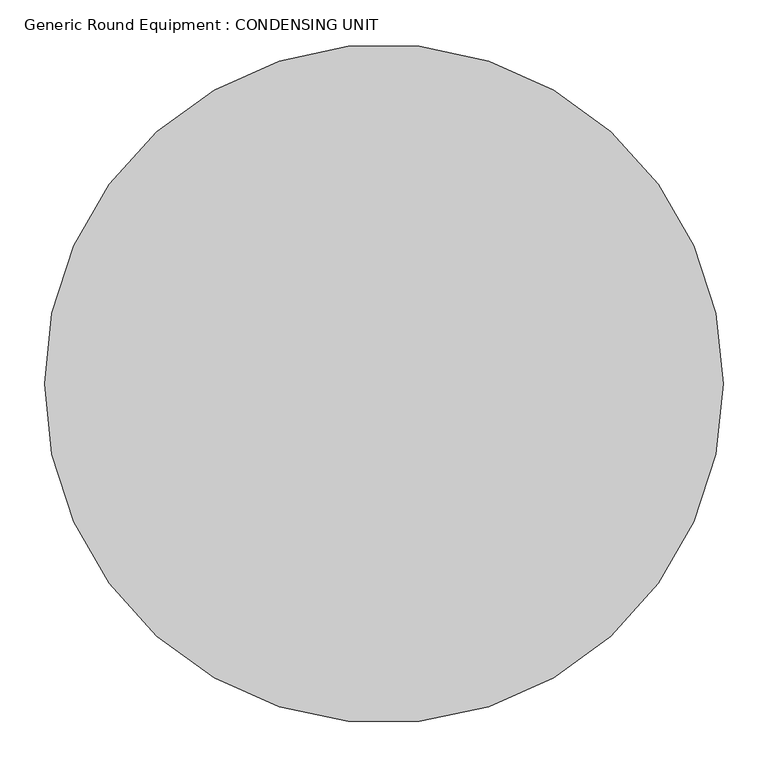
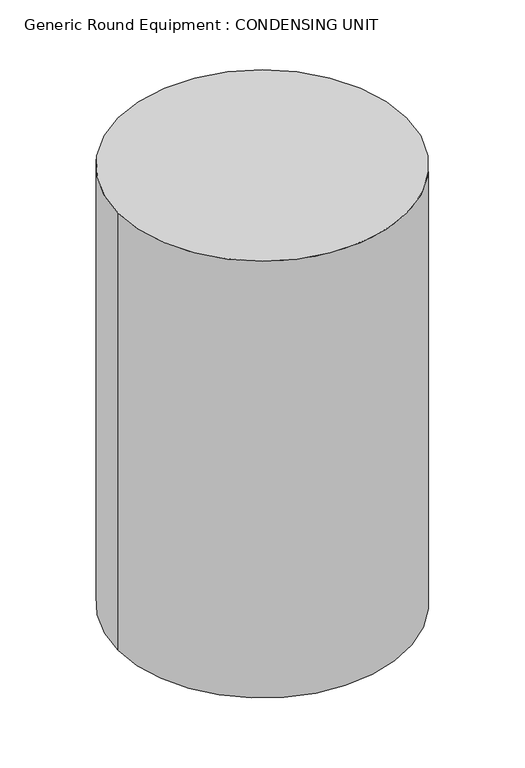
"""IFC4 building model written with IfcOpenShell, lengths in millimetres: proxy geometry, Generic Round Equipment : CONDENSING UNIT."""

from ifc_helpers import new_model, si_unit, point, origin, origin_with_axes, origin_2d, place, context, project, spatial, circle_curve, trimmed, segment, composite_curve, outline, extrude, source, transform, mapped, element, save


def generic_round_equipment_condensing_unit_550d5360(model_context):
    return source(origin(), model_context, "Body", "SweptSolid", [
        extrude(outline(composite_curve([segment(trimmed(circle_curve(origin_2d(), 381.0), [point((-381.0, 0.0))], [point((381.0, 0.0))], False, "CARTESIAN"), True, "CONTINUOUS"), segment(trimmed(circle_curve(origin_2d(), 381.0), [point((381.0, 0.0))], [point((-381.0, 0.0))], False, "CARTESIAN"), True, "CONTINUOUS")], self_intersect=False)), origin_with_axes(), (0.0, 0.0, 1.0), 1219.2),
    ])


if __name__ == "__main__":
    model = new_model("IFC4")
    model_context = context("Model", 3, world=origin())
    ifc_project = project(units=[si_unit("LENGTHUNIT", "METRE", prefix="MILLI")], contexts=[model_context])
    site = spatial("IfcSite", under=ifc_project)
    building = spatial("IfcBuilding", under=site)
    placement = place(None, origin())
    generic_round_equipment_condensing_unit_shape = generic_round_equipment_condensing_unit_550d5360(model_context)
    element("IfcBuildingElementProxy", 1, Name="Generic Round Equipment : CONDENSING UNIT", ObjectType="Generic Round Equipment : CONDENSING UNIT", at=placement, inside=building, context=model_context, shape_type="MappedRepresentation", body=[
        mapped(generic_round_equipment_condensing_unit_shape, transform((0.0, 0.0, 0.0), x_axis=(1.0, 0.0, 0.0), y_axis=(0.0, 1.0, 0.0), z_axis=(0.0, 0.0, 1.0))),
    ])
    save(model, "model.ifc")
